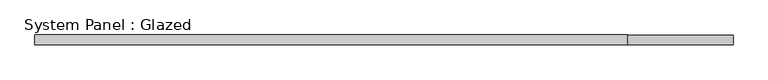
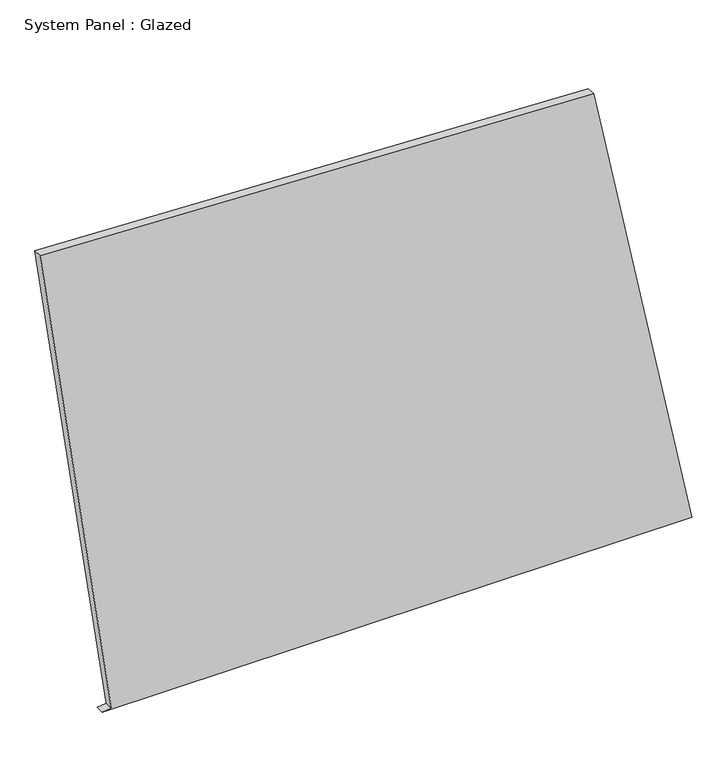
"""IFC4 building model written with IfcOpenShell, lengths in millimetres: plate geometry, System Panel : Glazed."""

import ifcopenshell
import ifcopenshell.guid

model = None  # the IFC model being written
_history = None  # IfcOwnerHistory: only IFC2X3 demands one
_inside = {}  # id of a spatial element -> (the spatial element, [elements in it])
_under = {}  # id of a project, library or spatial element -> (it, [spatial elements below it])
_declared = {}  # id of a project -> (the project, [libraries it declares])
_typed = {}  # id of a type object -> (the type object, [elements of that type])
_made_of = {}  # id of a material, layer set ... -> (it, [elements and type objects made of it])


def new_model(schema):
    """Start an empty IFC model of exactly this schema.

    Asked for "IFC4X3", IfcOpenShell would pick the latest addendum, in which some entities
    have other attributes; the version numbers below select the first issue.
    IFC2X3 requires an IfcOwnerHistory on every rooted entity: one is made here for all.
    """
    global model, _history
    if schema == "IFC4X3":
        model = ifcopenshell.file(schema_version=(4, 3, 0, 0))
    else:
        model = ifcopenshell.file(schema=schema)
    _inside.clear()
    _under.clear()
    _declared.clear()
    _typed.clear()
    _made_of.clear()
    _history = None
    if model.schema == "IFC2X3":
        org = make("IfcOrganization", Name="unknown")
        user = make(
            "IfcPersonAndOrganization",
            ThePerson=make("IfcPerson", FamilyName="unknown"),
            TheOrganization=org,
        )
        app = make(
            "IfcApplication",
            ApplicationDeveloper=org,
            Version="unknown",
            ApplicationFullName="unknown",
            ApplicationIdentifier="unknown",
        )
        _history = make(
            "IfcOwnerHistory",
            OwningUser=user,
            OwningApplication=app,
            ChangeAction="ADDED",
            CreationDate=0,
        )
    return model


def make(cls, **values):
    """One entity of the class cls with the attributes given. An attribute that is None is left unset."""
    return model.create_entity(
        cls, **{name: value for name, value in values.items() if value is not None}
    )


def rooted(cls, **values):
    """An entity with a GlobalId (a new one), such as an element, a storey or a relation."""
    return make(cls, GlobalId=ifcopenshell.guid.new(), OwnerHistory=_history, **values)


def si_unit(unit_type, name, prefix=None):
    """IfcSIUnit, for example si_unit("LENGTHUNIT", "METRE", prefix="MILLI")."""
    return make("IfcSIUnit", UnitType=unit_type, Prefix=prefix, Name=name)


def assignment(units):
    """IfcUnitAssignment: the units of a project."""
    return None if units is None else make("IfcUnitAssignment", Units=units)


def point(xyz):
    """IfcCartesianPoint."""
    return None if xyz is None else make("IfcCartesianPoint", Coordinates=xyz)


def direction(xyz):
    """IfcDirection."""
    return None if xyz is None else make("IfcDirection", DirectionRatios=xyz)


def frame(location, z_axis=None, x_axis=None):
    """IfcAxis2Placement3D, a coordinate frame: its origin and axes. An axis left out is left unset."""
    return make(
        "IfcAxis2Placement3D",
        Location=point(location),
        Axis=direction(z_axis),
        RefDirection=direction(x_axis),
    )


def origin():
    """The frame at (0, 0, 0) with its axes left unset."""
    return frame((0.0, 0.0, 0.0))


def place(relative_to, where):
    """IfcLocalPlacement: puts the frame where relative to a parent placement (None: the world)."""
    return make(
        "IfcLocalPlacement", PlacementRelTo=relative_to, RelativePlacement=where
    )


def context(
    kind, dimensions, precision=None, world=None, true_north=None, identifier=None
):
    """IfcGeometricRepresentationContext, for example the 3D "Model" context."""
    return make(
        "IfcGeometricRepresentationContext",
        ContextIdentifier=identifier,
        ContextType=kind,
        CoordinateSpaceDimension=dimensions,
        Precision=precision,
        WorldCoordinateSystem=world,
        TrueNorth=true_north,
    )


def project(units=None, contexts=None):
    """IfcProject with its units and contexts."""
    return rooted(
        "IfcProject",
        Name="project",
        RepresentationContexts=contexts,
        UnitsInContext=assignment(units),
    )


def spatial(cls, under=None, at=None, **own):
    """A site, building, storey or space (cls), placed at a placement, below another one or the project."""
    s = rooted(cls, ObjectPlacement=at, **own)
    if under is not None:
        _under.setdefault(under.id(), (under, []))[1].append(s)
    return s


def polyline(points):
    """IfcPolyline through the points."""
    return make("IfcPolyline", Points=[point(p) for p in points])


def outline(outer, holes=None, kind="AREA"):
    """IfcArbitraryClosedProfileDef: a profile drawn as a closed curve; with holes, ...WithVoids."""
    if holes is None:
        return make("IfcArbitraryClosedProfileDef", ProfileType=kind, OuterCurve=outer)
    return make(
        "IfcArbitraryProfileDefWithVoids",
        ProfileType=kind,
        OuterCurve=outer,
        InnerCurves=holes,
    )


def extrude(swept, where, along, depth):
    """IfcExtrudedAreaSolid: the profile swept, set in the frame where, extruded along a direction by depth."""
    return make(
        "IfcExtrudedAreaSolid",
        SweptArea=swept,
        Position=where,
        ExtrudedDirection=direction(along),
        Depth=depth,
    )


def shape(context_of_items, identifier, shape_type, items):
    """IfcShapeRepresentation: the items that make up one representation, for example the "Body"."""
    return make(
        "IfcShapeRepresentation",
        ContextOfItems=context_of_items,
        RepresentationIdentifier=identifier,
        RepresentationType=shape_type,
        Items=items,
    )


def source(mapping_origin, context_of_items, identifier, shape_type, items):
    """IfcRepresentationMap: a shape defined once, which mapped items show again and again."""
    return make(
        "IfcRepresentationMap",
        MappingOrigin=mapping_origin,
        MappedRepresentation=shape(context_of_items, identifier, shape_type, items),
    )


def transform(
    local_origin,
    x_axis=None,
    y_axis=None,
    z_axis=None,
    scale=None,
    scale2=None,
    scale3=None,
    uniform=True,
):
    """IfcCartesianTransformationOperator3D, or its non-uniform kind. x_axis, y_axis, z_axis: its Axis1, 2, 3."""
    if uniform:
        return make(
            "IfcCartesianTransformationOperator3D",
            Axis1=direction(x_axis),
            Axis2=direction(y_axis),
            LocalOrigin=point(local_origin),
            Scale=scale,
            Axis3=direction(z_axis),
        )
    return make(
        "IfcCartesianTransformationOperator3DnonUniform",
        Axis1=direction(x_axis),
        Axis2=direction(y_axis),
        LocalOrigin=point(local_origin),
        Scale=scale,
        Axis3=direction(z_axis),
        Scale2=scale2,
        Scale3=scale3,
    )


def mapped(mapping_source, mapping_target):
    """IfcMappedItem: shows the shape of a source again, moved by a transform."""
    return make(
        "IfcMappedItem", MappingSource=mapping_source, MappingTarget=mapping_target
    )


def made_of(thing, what):
    """Note that an element or type object is made of a material, layer set ...; save() writes the relation."""
    if what is not None:
        _made_of.setdefault(what.id(), (what, []))[1].append(thing)
    return thing


def element(
    cls,
    number,
    at=None,
    inside=None,
    cuts=None,
    type_object=None,
    material=None,
    context=None,
    identifier="Body",
    shape_type=None,
    held_by="IfcProductDefinitionShape",
    body=None,
    shapes=None,
    **own,
):
    """One element of the class cls, such as IfcWall. Its Tag is "e" and its number.

    at: its placement. inside: the storey or other place that contains it. cuts: it is an
    opening in that element (IfcRelVoidsElement). A single representation is given by context,
    identifier, shape_type and body (its items); several are given by shapes. held_by: the class
    of the entity that holds the representations. save() writes the other relations.
    """
    e = rooted(cls, Tag="e%d" % number, ObjectPlacement=at, **own)
    if body is not None:
        shapes = [shape(context, identifier, shape_type, body)]
    if shapes is not None:
        e.Representation = make(held_by, Representations=shapes)
    if inside is not None:
        _inside.setdefault(inside.id(), (inside, []))[1].append(e)
    if cuts is not None:
        rooted(
            "IfcRelVoidsElement", RelatingBuildingElement=cuts, RelatedOpeningElement=e
        )
    if type_object is not None:
        _typed.setdefault(type_object.id(), (type_object, []))[1].append(e)
    return made_of(e, material)


def aggregate(whole, parts):
    """IfcRelAggregates: a whole, such as a stair, and the parts it consists of."""
    return rooted("IfcRelAggregates", RelatingObject=whole, RelatedObjects=parts)


def save(model, path):
    """Write the relations noted so far, then the file.

    IfcRelAggregates (storeys below a building ...), IfcRelContainedInSpatialStructure (elements
    in a storey), IfcRelDefinesByType, IfcRelAssociatesMaterial and IfcRelDeclares: one each for
    every whole, place, type object, material and project.
    """
    for whole, parts in _under.values():
        aggregate(whole, parts)
    for where, things in _inside.values():
        rooted(
            "IfcRelContainedInSpatialStructure",
            RelatedElements=things,
            RelatingStructure=where,
        )
    for kind, things in _typed.values():
        rooted("IfcRelDefinesByType", RelatedObjects=things, RelatingType=kind)
    for what, things in _made_of.values():
        rooted("IfcRelAssociatesMaterial", RelatedObjects=things, RelatingMaterial=what)
    for by, libraries in _declared.values():
        rooted("IfcRelDeclares", RelatingContext=by, RelatedDefinitions=libraries)
    model.write(path)


def system_panel_glazed_334cd4f1(model_context):
    return source(origin(), model_context, "Body", "SweptSolid", [
        extrude(outline(polyline([(0.0, -734.8350482), (0.0, 908.6375753), (1343.8505235, 634.9432909), (1406.9902226, -908.6375753), (3.5019594, -710.0815378), (0.0, -734.8350482)])), frame((0.0, -49.5, 0.0), z_axis=(0.0, 1.0, 0.0), x_axis=(0.0, 0.0, 1.0)), (0.0, 0.0, 1.0), 25.0),
    ])


if __name__ == "__main__":
    model = new_model("IFC4")
    model_context = context("Model", 3, world=origin())
    ifc_project = project(units=[si_unit("LENGTHUNIT", "METRE", prefix="MILLI")], contexts=[model_context])
    site = spatial("IfcSite", under=ifc_project)
    building = spatial("IfcBuilding", under=site)
    placement = place(None, origin())
    system_panel_glazed_shape = system_panel_glazed_334cd4f1(model_context)
    element("IfcPlate", 1, ObjectType="System Panel : Glazed", at=placement, inside=building, context=model_context, shape_type="MappedRepresentation", body=[
        mapped(system_panel_glazed_shape, transform((0.0, 0.0, 0.0), x_axis=(1.0, 0.0, 0.0), y_axis=(0.0, 1.0, 0.0), z_axis=(0.0, 0.0, 1.0))),
    ])
    save(model, "model.ifc")
